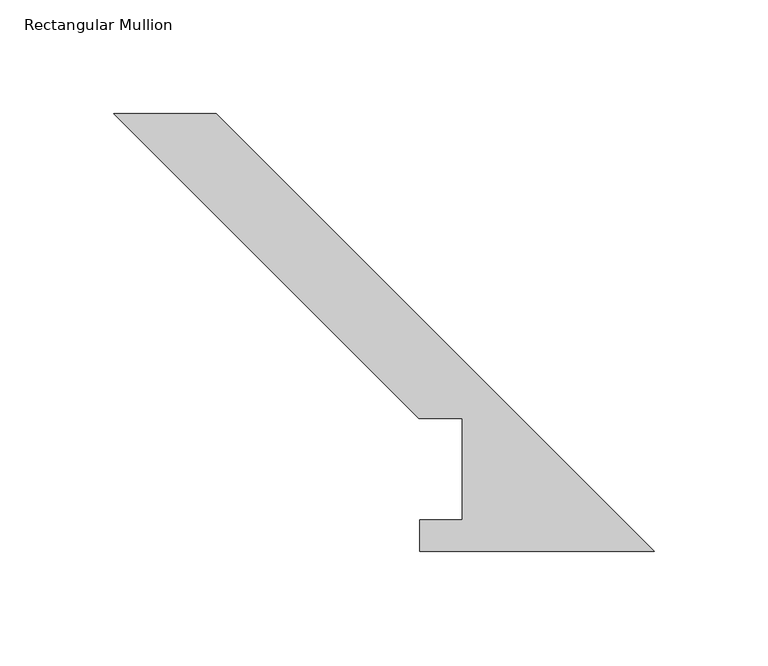
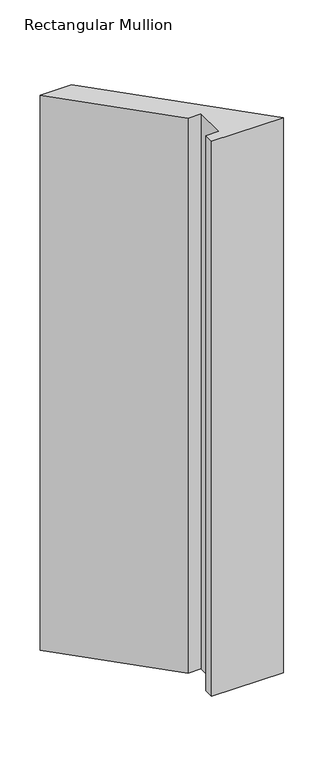
"""IFC4 building model written with IfcOpenShell, lengths in millimetres: member geometry, Rectangular Mullion."""

from ifc_helpers import new_model, si_unit, frame, origin, place, context, project, spatial, polyline, outline, extrude, source, transform, mapped, element, save


def rectangular_mullion_494cbf59(model_context):
    return source(origin(), model_context, "Body", "SweptSolid", [
        extrude(outline(polyline([(-236.9958475, 192.0807432), (-192.0945669, 192.0807432), (0.0, -0.0138237), (-102.8720048, -0.0138237), (-102.8720048, 13.890625), (-84.2057293, 13.890625), (-84.2057293, 58.340625), (-103.2557293, 58.340625), (-236.9958475, 192.0807432)])), frame((0.0, 0.0, -838.2), z_axis=(0.0, 0.0, 1.0), x_axis=(1.0, 0.0, 0.0)), (0.0, 0.0, 1.0), 838.2),
    ])


if __name__ == "__main__":
    model = new_model("IFC4")
    model_context = context("Model", 3, world=origin())
    ifc_project = project(units=[si_unit("LENGTHUNIT", "METRE", prefix="MILLI")], contexts=[model_context])
    site = spatial("IfcSite", under=ifc_project)
    building = spatial("IfcBuilding", under=site)
    placement = place(None, origin())
    rectangular_mullion_shape = rectangular_mullion_494cbf59(model_context)
    element("IfcMember", 1, ObjectType="Rectangular Mullion", at=placement, inside=building, context=model_context, shape_type="MappedRepresentation", body=[
        mapped(rectangular_mullion_shape, transform((0.0, 0.0, 0.0), x_axis=(1.0, 0.0, 0.0), y_axis=(0.0, 1.0, 0.0), z_axis=(0.0, 0.0, 1.0))),
    ])
    save(model, "model.ifc")
